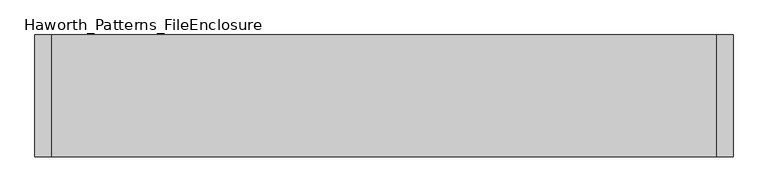
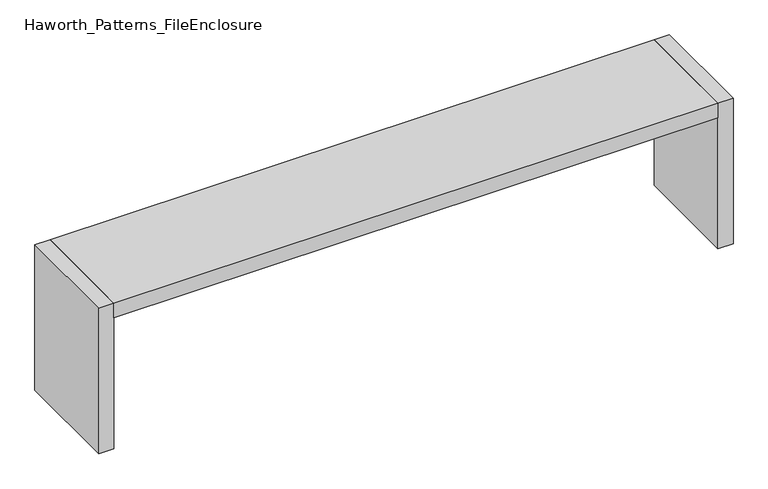
"""IFC4 building model written with IfcOpenShell, lengths in millimetres: furniture geometry, Haworth_Patterns_FileEnclosure."""

import ifcopenshell
import ifcopenshell.guid

model = None  # the IFC model being written
_history = None  # IfcOwnerHistory: only IFC2X3 demands one
_inside = {}  # id of a spatial element -> (the spatial element, [elements in it])
_under = {}  # id of a project, library or spatial element -> (it, [spatial elements below it])
_declared = {}  # id of a project -> (the project, [libraries it declares])
_typed = {}  # id of a type object -> (the type object, [elements of that type])
_made_of = {}  # id of a material, layer set ... -> (it, [elements and type objects made of it])


def new_model(schema):
    """Start an empty IFC model of exactly this schema.

    Asked for "IFC4X3", IfcOpenShell would pick the latest addendum, in which some entities
    have other attributes; the version numbers below select the first issue.
    IFC2X3 requires an IfcOwnerHistory on every rooted entity: one is made here for all.
    """
    global model, _history
    if schema == "IFC4X3":
        model = ifcopenshell.file(schema_version=(4, 3, 0, 0))
    else:
        model = ifcopenshell.file(schema=schema)
    _inside.clear()
    _under.clear()
    _declared.clear()
    _typed.clear()
    _made_of.clear()
    _history = None
    if model.schema == "IFC2X3":
        org = make("IfcOrganization", Name="unknown")
        user = make(
            "IfcPersonAndOrganization",
            ThePerson=make("IfcPerson", FamilyName="unknown"),
            TheOrganization=org,
        )
        app = make(
            "IfcApplication",
            ApplicationDeveloper=org,
            Version="unknown",
            ApplicationFullName="unknown",
            ApplicationIdentifier="unknown",
        )
        _history = make(
            "IfcOwnerHistory",
            OwningUser=user,
            OwningApplication=app,
            ChangeAction="ADDED",
            CreationDate=0,
        )
    return model


def make(cls, **values):
    """One entity of the class cls with the attributes given. An attribute that is None is left unset."""
    return model.create_entity(
        cls, **{name: value for name, value in values.items() if value is not None}
    )


def rooted(cls, **values):
    """An entity with a GlobalId (a new one), such as an element, a storey or a relation."""
    return make(cls, GlobalId=ifcopenshell.guid.new(), OwnerHistory=_history, **values)


def si_unit(unit_type, name, prefix=None):
    """IfcSIUnit, for example si_unit("LENGTHUNIT", "METRE", prefix="MILLI")."""
    return make("IfcSIUnit", UnitType=unit_type, Prefix=prefix, Name=name)


def assignment(units):
    """IfcUnitAssignment: the units of a project."""
    return None if units is None else make("IfcUnitAssignment", Units=units)


def point(xyz):
    """IfcCartesianPoint."""
    return None if xyz is None else make("IfcCartesianPoint", Coordinates=xyz)


def direction(xyz):
    """IfcDirection."""
    return None if xyz is None else make("IfcDirection", DirectionRatios=xyz)


def frame(location, z_axis=None, x_axis=None):
    """IfcAxis2Placement3D, a coordinate frame: its origin and axes. An axis left out is left unset."""
    return make(
        "IfcAxis2Placement3D",
        Location=point(location),
        Axis=direction(z_axis),
        RefDirection=direction(x_axis),
    )


def origin():
    """The frame at (0, 0, 0) with its axes left unset."""
    return frame((0.0, 0.0, 0.0))


def origin_with_axes():
    """The frame at (0, 0, 0) with the z axis (0, 0, 1) and the x axis (1, 0, 0) written out."""
    return frame((0.0, 0.0, 0.0), z_axis=(0.0, 0.0, 1.0), x_axis=(1.0, 0.0, 0.0))


def place(relative_to, where):
    """IfcLocalPlacement: puts the frame where relative to a parent placement (None: the world)."""
    return make(
        "IfcLocalPlacement", PlacementRelTo=relative_to, RelativePlacement=where
    )


def context(
    kind, dimensions, precision=None, world=None, true_north=None, identifier=None
):
    """IfcGeometricRepresentationContext, for example the 3D "Model" context."""
    return make(
        "IfcGeometricRepresentationContext",
        ContextIdentifier=identifier,
        ContextType=kind,
        CoordinateSpaceDimension=dimensions,
        Precision=precision,
        WorldCoordinateSystem=world,
        TrueNorth=true_north,
    )


def project(units=None, contexts=None):
    """IfcProject with its units and contexts."""
    return rooted(
        "IfcProject",
        Name="project",
        RepresentationContexts=contexts,
        UnitsInContext=assignment(units),
    )


def spatial(cls, under=None, at=None, **own):
    """A site, building, storey or space (cls), placed at a placement, below another one or the project."""
    s = rooted(cls, ObjectPlacement=at, **own)
    if under is not None:
        _under.setdefault(under.id(), (under, []))[1].append(s)
    return s


def polyline(points):
    """IfcPolyline through the points."""
    return make("IfcPolyline", Points=[point(p) for p in points])


def outline(outer, holes=None, kind="AREA"):
    """IfcArbitraryClosedProfileDef: a profile drawn as a closed curve; with holes, ...WithVoids."""
    if holes is None:
        return make("IfcArbitraryClosedProfileDef", ProfileType=kind, OuterCurve=outer)
    return make(
        "IfcArbitraryProfileDefWithVoids",
        ProfileType=kind,
        OuterCurve=outer,
        InnerCurves=holes,
    )


def extrude(swept, where, along, depth):
    """IfcExtrudedAreaSolid: the profile swept, set in the frame where, extruded along a direction by depth."""
    return make(
        "IfcExtrudedAreaSolid",
        SweptArea=swept,
        Position=where,
        ExtrudedDirection=direction(along),
        Depth=depth,
    )


def shape(context_of_items, identifier, shape_type, items):
    """IfcShapeRepresentation: the items that make up one representation, for example the "Body"."""
    return make(
        "IfcShapeRepresentation",
        ContextOfItems=context_of_items,
        RepresentationIdentifier=identifier,
        RepresentationType=shape_type,
        Items=items,
    )


def source(mapping_origin, context_of_items, identifier, shape_type, items):
    """IfcRepresentationMap: a shape defined once, which mapped items show again and again."""
    return make(
        "IfcRepresentationMap",
        MappingOrigin=mapping_origin,
        MappedRepresentation=shape(context_of_items, identifier, shape_type, items),
    )


def transform(
    local_origin,
    x_axis=None,
    y_axis=None,
    z_axis=None,
    scale=None,
    scale2=None,
    scale3=None,
    uniform=True,
):
    """IfcCartesianTransformationOperator3D, or its non-uniform kind. x_axis, y_axis, z_axis: its Axis1, 2, 3."""
    if uniform:
        return make(
            "IfcCartesianTransformationOperator3D",
            Axis1=direction(x_axis),
            Axis2=direction(y_axis),
            LocalOrigin=point(local_origin),
            Scale=scale,
            Axis3=direction(z_axis),
        )
    return make(
        "IfcCartesianTransformationOperator3DnonUniform",
        Axis1=direction(x_axis),
        Axis2=direction(y_axis),
        LocalOrigin=point(local_origin),
        Scale=scale,
        Axis3=direction(z_axis),
        Scale2=scale2,
        Scale3=scale3,
    )


def mapped(mapping_source, mapping_target):
    """IfcMappedItem: shows the shape of a source again, moved by a transform."""
    return make(
        "IfcMappedItem", MappingSource=mapping_source, MappingTarget=mapping_target
    )


def made_of(thing, what):
    """Note that an element or type object is made of a material, layer set ...; save() writes the relation."""
    if what is not None:
        _made_of.setdefault(what.id(), (what, []))[1].append(thing)
    return thing


def element(
    cls,
    number,
    at=None,
    inside=None,
    cuts=None,
    type_object=None,
    material=None,
    context=None,
    identifier="Body",
    shape_type=None,
    held_by="IfcProductDefinitionShape",
    body=None,
    shapes=None,
    **own,
):
    """One element of the class cls, such as IfcWall. Its Tag is "e" and its number.

    at: its placement. inside: the storey or other place that contains it. cuts: it is an
    opening in that element (IfcRelVoidsElement). A single representation is given by context,
    identifier, shape_type and body (its items); several are given by shapes. held_by: the class
    of the entity that holds the representations. save() writes the other relations.
    """
    e = rooted(cls, Tag="e%d" % number, ObjectPlacement=at, **own)
    if body is not None:
        shapes = [shape(context, identifier, shape_type, body)]
    if shapes is not None:
        e.Representation = make(held_by, Representations=shapes)
    if inside is not None:
        _inside.setdefault(inside.id(), (inside, []))[1].append(e)
    if cuts is not None:
        rooted(
            "IfcRelVoidsElement", RelatingBuildingElement=cuts, RelatedOpeningElement=e
        )
    if type_object is not None:
        _typed.setdefault(type_object.id(), (type_object, []))[1].append(e)
    return made_of(e, material)


def aggregate(whole, parts):
    """IfcRelAggregates: a whole, such as a stair, and the parts it consists of."""
    return rooted("IfcRelAggregates", RelatingObject=whole, RelatedObjects=parts)


def save(model, path):
    """Write the relations noted so far, then the file.

    IfcRelAggregates (storeys below a building ...), IfcRelContainedInSpatialStructure (elements
    in a storey), IfcRelDefinesByType, IfcRelAssociatesMaterial and IfcRelDeclares: one each for
    every whole, place, type object, material and project.
    """
    for whole, parts in _under.values():
        aggregate(whole, parts)
    for where, things in _inside.values():
        rooted(
            "IfcRelContainedInSpatialStructure",
            RelatedElements=things,
            RelatingStructure=where,
        )
    for kind, things in _typed.values():
        rooted("IfcRelDefinesByType", RelatedObjects=things, RelatingType=kind)
    for what, things in _made_of.values():
        rooted("IfcRelAssociatesMaterial", RelatedObjects=things, RelatingMaterial=what)
    for by, libraries in _declared.values():
        rooted("IfcRelDeclares", RelatingContext=by, RelatedDefinitions=libraries)
    model.write(path)


def haworth_patterns_fileenclosure_78fa6a15(model_context):
    return source(origin(), model_context, "Body", "SweptSolid", [
        extrude(outline(polyline([(1524.0, 0.0), (1524.0, -558.8), (-1524.0, -558.8), (-1524.0, 0.0), (1524.0, 0.0)])), frame((0.0, 0.0, 698.5), z_axis=(0.0, 0.0, 1.0), x_axis=(1.0, 0.0, 0.0)), (0.0, 0.0, 1.0), 76.2),
        extrude(outline(polyline([(1524.0, 0.0), (1600.2, 0.0), (1600.2, -558.8), (1524.0, -558.8), (1524.0, 0.0)])), origin_with_axes(), (0.0, 0.0, 1.0), 774.7),
        extrude(outline(polyline([(-1524.0, 0.0), (-1524.0, -558.8), (-1600.2, -558.8), (-1600.2, 0.0), (-1524.0, 0.0)])), origin_with_axes(), (0.0, 0.0, 1.0), 774.7),
    ])


if __name__ == "__main__":
    model = new_model("IFC4")
    model_context = context("Model", 3, world=origin())
    ifc_project = project(units=[si_unit("LENGTHUNIT", "METRE", prefix="MILLI")], contexts=[model_context])
    site = spatial("IfcSite", under=ifc_project)
    building = spatial("IfcBuilding", under=site)
    placement = place(None, origin())
    haworth_patterns_fileenclosure_shape = haworth_patterns_fileenclosure_78fa6a15(model_context)
    element("IfcFurniture", 1, ObjectType="Haworth_Patterns_FileEnclosure", at=placement, inside=building, context=model_context, shape_type="MappedRepresentation", body=[
        mapped(haworth_patterns_fileenclosure_shape, transform((0.0, 0.0, 0.0), x_axis=(1.0, 0.0, 0.0), y_axis=(0.0, 1.0, 0.0), z_axis=(0.0, 0.0, 1.0))),
    ])
    save(model, "model.ifc")
